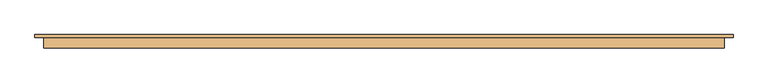
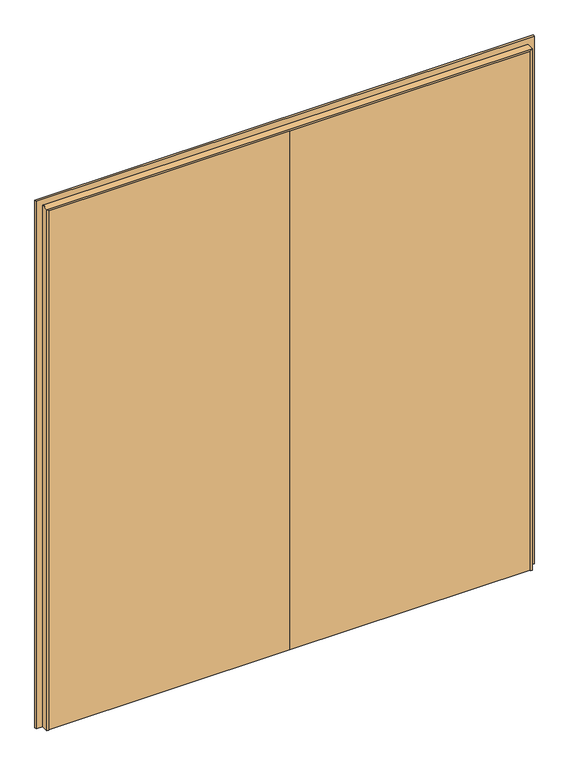
"""IFC4 building model written with IfcOpenShell, lengths in millimetres: door geometry."""

from ifc_helpers import new_model, si_unit, frame, origin, place, context, project, spatial, polyline, outline, extrude, faceted_brep, source, transform, mapped, element, save


def door_6f50efdb(model_context):
    return source(origin(), model_context, "Body", "SolidModel", [
        faceted_brep([(-1188.0, -37.0, 0.0), (-1198.0, -37.0, 0.0), (-1198.0, 0.0, 0.0), (-1188.0, 0.0, 0.0), (-1188.0, 0.0, 2708.0), (-1188.0, -37.0, 2708.0), (-1198.0, 0.0, 2718.0), (-1198.0, -37.0, 2718.0), (1188.0, -37.0, 0.0), (1188.0, 0.0, 0.0), (1198.0, 0.0, 0.0), (1198.0, -37.0, 0.0), (1198.0, -37.0, 2718.0), (1188.0, -37.0, 2708.0), (1198.0, 0.0, 2718.0), (1188.0, 0.0, 2708.0)], [[[0, 1, 2, 3]], [[0, 3, 4, 5]], [[3, 2, 6, 4]], [[2, 1, 7, 6]], [[1, 0, 5, 7]], [[8, 9, 10, 11]], [[12, 13, 8, 11]], [[14, 12, 11, 10]], [[15, 14, 10, 9]], [[13, 15, 9, 8]], [[5, 4, 15, 13]], [[4, 6, 14, 15]], [[6, 7, 12, 14]], [[7, 5, 13, 12]]]),
        extrude(outline(polyline([(2750.0, -1230.0), (0.0, -1230.0), (0.0, -1198.0), (2718.0, -1198.0), (2718.0, 1198.0), (0.0, 1198.0), (0.0, 1230.0), (2750.0, 1230.0), (2750.0, -1230.0)])), frame((0.0, 0.0, 0.0), z_axis=(0.0, 1.0, 0.0), x_axis=(0.0, 0.0, 1.0)), (0.0, 0.0, 1.0), 10.0),
        extrude(outline(polyline([(1.0739506, -34.0), (-1195.0, -34.0), (-1195.0, 10.0), (1.0739506, 10.0), (1.0739506, -34.0)])), frame((0.0, 0.0, 1.753223), z_axis=(0.0, 0.0, 1.0), x_axis=(1.0, 0.0, 0.0)), (0.0, 0.0, 1.0), 2716.246777),
        extrude(outline(polyline([(1195.0, -34.0), (1.0739506, -34.0), (1.0739506, 10.0), (1195.0, 10.0), (1195.0, -34.0)])), frame((0.0, 0.0, 1.753223), z_axis=(0.0, 0.0, 1.0), x_axis=(1.0, 0.0, 0.0)), (0.0, 0.0, 1.0), 2716.246777),
    ])


if __name__ == "__main__":
    model = new_model("IFC4")
    model_context = context("Model", 3, world=origin())
    ifc_project = project(units=[si_unit("LENGTHUNIT", "METRE", prefix="MILLI")], contexts=[model_context])
    site = spatial("IfcSite", under=ifc_project)
    building = spatial("IfcBuilding", under=site)
    placement = place(None, origin())
    door_shape = door_6f50efdb(model_context)
    element("IfcDoor", 1, at=placement, inside=building, context=model_context, shape_type="MappedRepresentation", body=[
        mapped(door_shape, transform((0.0, 0.0, 0.0), x_axis=(1.0, 0.0, 0.0), y_axis=(0.0, 1.0, 0.0), z_axis=(0.0, 0.0, 1.0))),
    ])
    save(model, "model.ifc")
